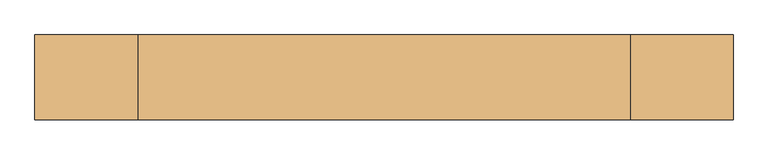
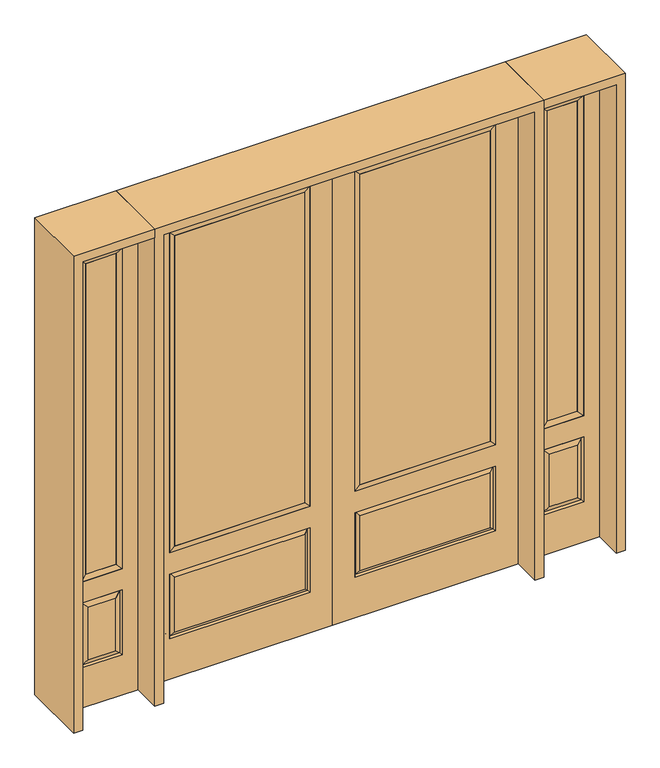
"""IFC4 building model written with IfcOpenShell, lengths in millimetres: door geometry."""

from ifc_helpers import new_model, si_unit, frame, origin, place, context, project, spatial, polyline, outline, extrude, faceted_brep, source, transform, mapped, element, save


def door_dd13244a(model_context):
    return source(origin(), model_context, "Body", "SolidModel", [
        extrude(outline(polyline([(136.525, -20.32), (136.525, 5.08), (777.875, 5.08), (777.875, -20.32), (136.525, -20.32)])), frame((0.0, 0.0, 682.498), z_axis=(0.0, 0.0, 1.0), x_axis=(1.0, 0.0, 0.0)), (0.0, 0.0, 1.0), 1616.202),
        faceted_brep([(796.1661499, -12.7912373, 216.6588501), (778.66875, -22.225, 234.15625), (135.73125, -22.225, 234.15625), (118.2338501, -12.7912373, 216.6588501), (111.125, -22.225, 209.55), (803.275, -22.225, 209.55), (803.275, -22.225, 546.1), (796.1661499, -12.7912373, 538.9911499), (0.0, -22.225, 2438.4), (0.0, -22.225, 0.0), (914.4, -22.225, 0.0), (914.4, -22.225, 2438.4), (111.125, -22.225, 546.1), (111.125, -22.225, 2324.1), (803.275, -22.225, 2324.1), (803.275, -22.225, 657.098), (111.125, -22.225, 657.098), (778.66875, -22.225, 521.49375), (135.73125, -22.225, 521.49375), (118.2338501, -12.7912373, 538.9911499), (914.4, 22.225, 0.0), (914.4, 22.225, 2438.4), (0.0, 22.225, 0.0), (0.0, 22.225, 2438.4), (111.125, 22.225, 657.098), (111.125, 22.225, 2324.1), (803.275, 22.225, 657.098), (803.275, 22.225, 2324.1), (135.73125, 22.225, 234.15625), (135.73125, 22.225, 521.49375), (778.66875, 22.225, 521.49375), (778.66875, 22.225, 234.15625), (803.275, 22.225, 209.55), (803.275, 22.225, 546.1), (111.125, 22.225, 546.1), (111.125, 22.225, 209.55), (118.2338501, 12.7912373, 216.6588501), (796.1661499, 12.7912373, 216.6588501), (118.2338501, 12.7912373, 538.9911499), (796.1661499, 12.7912373, 538.9911499)], [[[0, 1, 2, 3]], [[3, 4, 5, 0]], [[5, 6, 7, 0]], [[8, 9, 10, 11], [4, 12, 6, 5], [13, 14, 15, 16]], [[1, 17, 18, 2]], [[3, 19, 12, 4]], [[2, 18, 19, 3]], [[0, 7, 17, 1]], [[6, 12, 19, 7]], [[7, 19, 18, 17]], [[10, 20, 21, 11]], [[9, 22, 20, 10]], [[8, 23, 22, 9]], [[16, 24, 25, 13]], [[15, 26, 24, 16]], [[14, 27, 26, 15]], [[28, 29, 30, 31]], [[23, 21, 20, 22], [25, 24, 26, 27], [32, 33, 34, 35]], [[32, 35, 36, 37]], [[35, 34, 38, 36]], [[39, 38, 34, 33]], [[37, 39, 33, 32]], [[36, 28, 31, 37]], [[31, 30, 39, 37]], [[30, 29, 38, 39]], [[36, 38, 29, 28]], [[11, 21, 23, 8]], [[13, 25, 27, 14]]]),
        faceted_brep([(803.275, -22.225, 2324.1), (803.275, -22.225, 657.098), (803.275, 22.225, 657.098), (803.275, 22.225, 2324.1), (111.125, -22.225, 657.098), (111.125, 22.225, 657.098), (136.525, 5.08, 682.498), (777.875, 5.08, 682.498), (111.125, -22.225, 2324.1), (111.125, 22.225, 2324.1), (777.875, -20.32, 682.498), (136.525, -20.32, 682.498), (777.875, -20.32, 2298.7), (136.525, -20.32, 2298.7), (777.875, 5.08, 2298.7), (136.525, 5.08, 2298.7)], [[[0, 1, 2, 3]], [[1, 4, 5, 2]], [[2, 5, 6, 7]], [[4, 8, 9, 5]], [[10, 11, 4, 1]], [[12, 10, 1, 0]], [[11, 13, 8, 4]], [[7, 6, 11, 10]], [[14, 7, 10, 12]], [[6, 15, 13, 11]], [[3, 2, 7, 14]], [[5, 9, 15, 6]], [[8, 0, 3, 9]], [[13, 12, 0, 8]], [[15, 14, 12, 13]], [[9, 3, 14, 15]]]),
        faceted_brep([(958.85, -22.225, 0.0), (1314.45, -22.225, 0.0), (1314.45, -22.225, 2438.4), (958.85, -22.225, 2438.4), (1236.98, -22.225, 2325.624), (1236.98, -22.225, 657.098), (1036.32, -22.225, 657.098), (1036.32, -22.225, 2325.624), (1236.98, -22.225, 209.55), (1036.32, -22.225, 209.55), (1036.32, -22.225, 546.1), (1236.98, -22.225, 546.1), (1068.0351001, -22.225, 241.2651001), (1205.2648999, -22.225, 241.2651001), (1205.2648999, -22.225, 514.3848999), (1068.0351001, -22.225, 514.3848999), (958.85, 22.225, 0.0), (958.85, 22.225, 2438.4), (1314.45, 22.225, 2438.4), (1314.45, 22.225, 0.0), (1236.98, 22.225, 2325.624), (1036.32, 22.225, 2325.624), (1036.32, 22.225, 657.098), (1236.98, 22.225, 657.098), (1036.32, 22.225, 209.55), (1236.98, 22.225, 209.55), (1236.98, 22.225, 546.1), (1036.32, 22.225, 546.1), (1205.2648999, 22.225, 241.2651001), (1068.0351001, 22.225, 241.2651001), (1068.0351001, 22.225, 514.3848999), (1205.2648999, 22.225, 514.3848999), (1229.8711499, 12.7912373, 216.6588501), (1043.4288501, 12.7912373, 216.6588501), (1043.4288501, 12.7912373, 538.9911499), (1229.8711499, 12.7912373, 538.9911499), (1043.4288501, -12.7912373, 216.6588501), (1229.8711499, -12.7912373, 216.6588501), (1043.4288501, -12.7912373, 538.9911499), (1229.8711499, -12.7912373, 538.9911499)], [[[0, 1, 2, 3], [4, 5, 6, 7], [8, 9, 10, 11]], [[12, 13, 14, 15]], [[16, 17, 18, 19], [20, 21, 22, 23], [24, 25, 26, 27]], [[28, 29, 30, 31]], [[1, 0, 16, 19]], [[2, 1, 19, 18]], [[3, 2, 18, 17]], [[0, 3, 17, 16]], [[5, 4, 20, 23]], [[6, 5, 23, 22]], [[7, 6, 22, 21]], [[4, 7, 21, 20]], [[32, 33, 29, 28]], [[33, 32, 25, 24]], [[29, 33, 34, 30]], [[33, 24, 27, 34]], [[30, 34, 35, 31]], [[34, 27, 26, 35]], [[32, 28, 31, 35]], [[25, 32, 35, 26]], [[12, 36, 37, 13]], [[37, 36, 9, 8]], [[36, 12, 15, 38]], [[9, 36, 38, 10]], [[38, 15, 14, 39]], [[10, 38, 39, 11]], [[13, 37, 39, 14]], [[37, 8, 11, 39]]]),
        faceted_brep([(1036.32, 22.225, 2325.624), (1036.32, -22.225, 2325.624), (1236.98, -22.225, 2325.624), (1236.98, 22.225, 2325.624), (1061.72, 12.7, 2300.224), (1211.58, 12.7, 2300.224), (1061.72, -12.7, 2300.224), (1211.58, -12.7, 2300.224), (1236.98, -22.225, 657.098), (1236.98, 22.225, 657.098), (1211.58, 12.7, 682.498), (1211.58, -12.7, 682.498), (1036.32, -22.225, 657.098), (1036.32, 22.225, 657.098), (1061.72, 12.7, 682.498), (1061.72, -12.7, 682.498)], [[[0, 1, 2, 3]], [[4, 0, 3, 5]], [[6, 4, 5, 7]], [[1, 6, 7, 2]], [[3, 2, 8, 9]], [[5, 3, 9, 10]], [[7, 5, 10, 11]], [[2, 7, 11, 8]], [[9, 8, 12, 13]], [[10, 9, 13, 14]], [[11, 10, 14, 15]], [[8, 11, 15, 12]], [[13, 12, 1, 0]], [[14, 13, 0, 4]], [[15, 14, 4, 6]], [[12, 15, 6, 1]]]),
        extrude(outline(polyline([(1211.58, -12.7), (1061.72, -12.7), (1061.72, 12.7), (1211.58, 12.7), (1211.58, -12.7)])), frame((0.0, 0.0, 682.498), z_axis=(0.0, 0.0, 1.0), x_axis=(1.0, 0.0, 0.0)), (0.0, 0.0, 1.0), 1617.726),
        faceted_brep([(-1314.45, -22.225, 0.0), (-958.85, -22.225, 0.0), (-958.85, -22.225, 2438.4), (-1314.45, -22.225, 2438.4), (-1036.32, -22.225, 2325.624), (-1036.32, -22.225, 657.098), (-1236.98, -22.225, 657.098), (-1236.98, -22.225, 2325.624), (-1036.32, -22.225, 209.55), (-1236.98, -22.225, 209.55), (-1236.98, -22.225, 546.1), (-1036.32, -22.225, 546.1), (-1205.2648999, -22.225, 241.2651001), (-1068.0351001, -22.225, 241.2651001), (-1068.0351001, -22.225, 514.3848999), (-1205.2648999, -22.225, 514.3848999), (-1314.45, 22.225, 0.0), (-1314.45, 22.225, 2438.4), (-958.85, 22.225, 2438.4), (-958.85, 22.225, 0.0), (-1036.32, 22.225, 2325.624), (-1236.98, 22.225, 2325.624), (-1236.98, 22.225, 657.098), (-1036.32, 22.225, 657.098), (-1236.98, 22.225, 209.55), (-1036.32, 22.225, 209.55), (-1036.32, 22.225, 546.1), (-1236.98, 22.225, 546.1), (-1068.0351001, 22.225, 241.2651001), (-1205.2648999, 22.225, 241.2651001), (-1205.2648999, 22.225, 514.3848999), (-1068.0351001, 22.225, 514.3848999), (-1043.4288501, 12.7912373, 216.6588501), (-1229.8711499, 12.7912373, 216.6588501), (-1229.8711499, 12.7912373, 538.9911499), (-1043.4288501, 12.7912373, 538.9911499), (-1229.8711499, -12.7912373, 216.6588501), (-1043.4288501, -12.7912373, 216.6588501), (-1229.8711499, -12.7912373, 538.9911499), (-1043.4288501, -12.7912373, 538.9911499)], [[[0, 1, 2, 3], [4, 5, 6, 7], [8, 9, 10, 11]], [[12, 13, 14, 15]], [[16, 17, 18, 19], [20, 21, 22, 23], [24, 25, 26, 27]], [[28, 29, 30, 31]], [[1, 0, 16, 19]], [[2, 1, 19, 18]], [[3, 2, 18, 17]], [[0, 3, 17, 16]], [[5, 4, 20, 23]], [[6, 5, 23, 22]], [[7, 6, 22, 21]], [[4, 7, 21, 20]], [[32, 33, 29, 28]], [[33, 32, 25, 24]], [[29, 33, 34, 30]], [[33, 24, 27, 34]], [[30, 34, 35, 31]], [[34, 27, 26, 35]], [[32, 28, 31, 35]], [[25, 32, 35, 26]], [[12, 36, 37, 13]], [[37, 36, 9, 8]], [[36, 12, 15, 38]], [[9, 36, 38, 10]], [[38, 15, 14, 39]], [[10, 38, 39, 11]], [[13, 37, 39, 14]], [[37, 8, 11, 39]]]),
        faceted_brep([(-1236.98, 22.225, 2325.624), (-1236.98, -22.225, 2325.624), (-1036.32, -22.225, 2325.624), (-1036.32, 22.225, 2325.624), (-1211.58, 12.7, 2300.224), (-1061.72, 12.7, 2300.224), (-1211.58, -12.7, 2300.224), (-1061.72, -12.7, 2300.224), (-1036.32, -22.225, 657.098), (-1036.32, 22.225, 657.098), (-1061.72, 12.7, 682.498), (-1061.72, -12.7, 682.498), (-1236.98, -22.225, 657.098), (-1236.98, 22.225, 657.098), (-1211.58, 12.7, 682.498), (-1211.58, -12.7, 682.498)], [[[0, 1, 2, 3]], [[4, 0, 3, 5]], [[6, 4, 5, 7]], [[1, 6, 7, 2]], [[3, 2, 8, 9]], [[5, 3, 9, 10]], [[7, 5, 10, 11]], [[2, 7, 11, 8]], [[9, 8, 12, 13]], [[10, 9, 13, 14]], [[11, 10, 14, 15]], [[8, 11, 15, 12]], [[13, 12, 1, 0]], [[14, 13, 0, 4]], [[15, 14, 4, 6]], [[12, 15, 6, 1]]]),
        extrude(outline(polyline([(-1061.72, -12.7), (-1211.58, -12.7), (-1211.58, 12.7), (-1061.72, 12.7), (-1061.72, -12.7)])), frame((0.0, 0.0, 682.498), z_axis=(0.0, 0.0, 1.0), x_axis=(1.0, 0.0, 0.0)), (0.0, 0.0, 1.0), 1617.726),
        extrude(outline(polyline([(-136.525, -20.32), (-777.875, -20.32), (-777.875, 5.08), (-136.525, 5.08), (-136.525, -20.32)])), frame((0.0, 0.0, 682.498), z_axis=(0.0, 0.0, 1.0), x_axis=(1.0, 0.0, 0.0)), (0.0, 0.0, 1.0), 1616.202),
        faceted_brep([(-796.1661499, -12.7912373, 216.6588501), (-118.2338501, -12.7912373, 216.6588501), (-135.73125, -22.225, 234.15625), (-778.66875, -22.225, 234.15625), (-803.275, -22.225, 209.55), (-111.125, -22.225, 209.55), (-796.1661499, -12.7912373, 538.9911499), (-803.275, -22.225, 546.1), (-135.73125, -22.225, 521.49375), (-778.66875, -22.225, 521.49375), (0.0, -22.225, 2438.4), (-914.4, -22.225, 2438.4), (-914.4, -22.225, 0.0), (0.0, -22.225, 0.0), (-111.125, -22.225, 546.1), (-111.125, -22.225, 2324.1), (-111.125, -22.225, 657.098), (-803.275, -22.225, 657.098), (-803.275, -22.225, 2324.1), (-118.2338501, -12.7912373, 538.9911499), (-914.4, 22.225, 2438.4), (-914.4, 22.225, 0.0), (0.0, 22.225, 0.0), (0.0, 22.225, 2438.4), (-111.125, 22.225, 2324.1), (-111.125, 22.225, 657.098), (-803.275, 22.225, 657.098), (-803.275, 22.225, 2324.1), (-803.275, 22.225, 209.55), (-111.125, 22.225, 209.55), (-111.125, 22.225, 546.1), (-803.275, 22.225, 546.1), (-135.73125, 22.225, 234.15625), (-778.66875, 22.225, 234.15625), (-778.66875, 22.225, 521.49375), (-135.73125, 22.225, 521.49375), (-796.1661499, 12.7912373, 216.6588501), (-118.2338501, 12.7912373, 216.6588501), (-118.2338501, 12.7912373, 538.9911499), (-796.1661499, 12.7912373, 538.9911499)], [[[0, 1, 2, 3]], [[1, 0, 4, 5]], [[4, 0, 6, 7]], [[3, 2, 8, 9]], [[10, 11, 12, 13], [5, 4, 7, 14], [15, 16, 17, 18]], [[1, 5, 14, 19]], [[2, 1, 19, 8]], [[0, 3, 9, 6]], [[7, 6, 19, 14]], [[6, 9, 8, 19]], [[12, 11, 20, 21]], [[13, 12, 21, 22]], [[10, 13, 22, 23]], [[16, 15, 24, 25]], [[17, 16, 25, 26]], [[18, 17, 26, 27]], [[23, 22, 21, 20], [28, 29, 30, 31], [24, 27, 26, 25]], [[32, 33, 34, 35]], [[28, 36, 37, 29]], [[29, 37, 38, 30]], [[39, 31, 30, 38]], [[36, 28, 31, 39]], [[37, 36, 33, 32]], [[33, 36, 39, 34]], [[34, 39, 38, 35]], [[37, 32, 35, 38]], [[11, 10, 23, 20]], [[15, 18, 27, 24]]]),
        faceted_brep([(-803.275, -22.225, 2324.1), (-803.275, 22.225, 2324.1), (-803.275, 22.225, 657.098), (-803.275, -22.225, 657.098), (-111.125, 22.225, 657.098), (-111.125, -22.225, 657.098), (-777.875, 5.08, 682.498), (-136.525, 5.08, 682.498), (-111.125, 22.225, 2324.1), (-111.125, -22.225, 2324.1), (-777.875, -20.32, 682.498), (-136.525, -20.32, 682.498), (-777.875, -20.32, 2298.7), (-136.525, -20.32, 2298.7), (-777.875, 5.08, 2298.7), (-136.525, 5.08, 2298.7)], [[[0, 1, 2, 3]], [[3, 2, 4, 5]], [[2, 6, 7, 4]], [[5, 4, 8, 9]], [[10, 3, 5, 11]], [[12, 0, 3, 10]], [[11, 5, 9, 13]], [[6, 10, 11, 7]], [[14, 12, 10, 6]], [[7, 11, 13, 15]], [[1, 14, 6, 2]], [[4, 7, 15, 8]], [[9, 8, 1, 0]], [[13, 9, 0, 12]], [[15, 13, 12, 14]], [[8, 15, 14, 1]]]),
        extrude(outline(polyline([(2438.4, -958.85), (2482.85, -958.85), (2482.85, -1358.9), (0.0, -1358.9), (0.0, -1314.45), (2438.4, -1314.45), (2438.4, -958.85)])), frame((0.0, -165.1, 0.0), z_axis=(0.0, 1.0, 0.0), x_axis=(0.0, 0.0, 1.0)), (0.0, 0.0, 1.0), 330.2),
        extrude(outline(polyline([(2482.85, -958.85), (0.0, -958.85), (0.0, -914.4), (2438.4, -914.4), (2438.4, 914.4), (0.0, 914.4), (0.0, 958.85), (2482.85, 958.85), (2482.85, -958.85)])), frame((0.0, -165.1, 0.0), z_axis=(0.0, 1.0, 0.0), x_axis=(0.0, 0.0, 1.0)), (0.0, 0.0, 1.0), 330.2),
        extrude(outline(polyline([(0.0, 1314.45), (0.0, 1358.9), (2482.85, 1358.9), (2482.85, 958.85), (2438.4, 958.85), (2438.4, 1314.45), (0.0, 1314.45)])), frame((0.0, -165.1, 0.0), z_axis=(0.0, 1.0, 0.0), x_axis=(0.0, 0.0, 1.0)), (0.0, 0.0, 1.0), 330.2),
    ])


if __name__ == "__main__":
    model = new_model("IFC4")
    model_context = context("Model", 3, world=origin())
    ifc_project = project(units=[si_unit("LENGTHUNIT", "METRE", prefix="MILLI")], contexts=[model_context])
    site = spatial("IfcSite", under=ifc_project)
    building = spatial("IfcBuilding", under=site)
    placement = place(None, origin())
    door_shape = door_dd13244a(model_context)
    element("IfcDoor", 1, at=placement, inside=building, context=model_context, shape_type="MappedRepresentation", body=[
        mapped(door_shape, transform((0.0, 0.0, 0.0), x_axis=(1.0, 0.0, 0.0), y_axis=(0.0, 1.0, 0.0), z_axis=(0.0, 0.0, 1.0))),
    ])
    save(model, "model.ifc")
